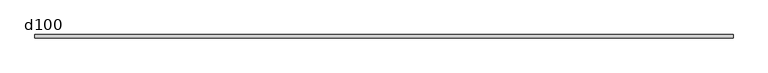
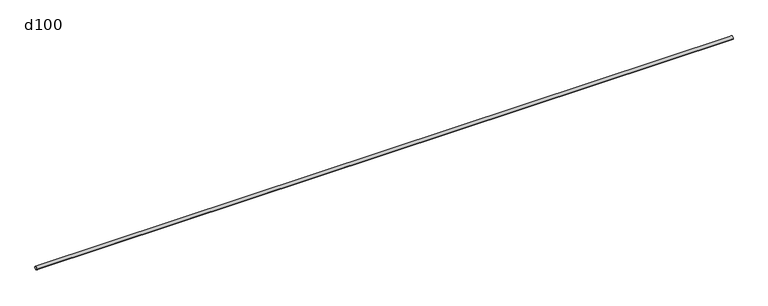
"""IFC4 building model written with IfcOpenShell, lengths in millimetres: beam geometry, d100."""

from ifc_helpers import new_model, si_unit, point, frame, origin, origin_2d, place, context, project, spatial, circle_curve, trimmed, segment, composite_curve, outline, extrude, source, transform, mapped, element, save


def d100_47b82008(model_context):
    return source(origin(), model_context, "Body", "SweptSolid", [
        extrude(outline(composite_curve([segment(trimmed(circle_curve(origin_2d(), 50.0), [point((-50.0, 0.0))], [point((50.0, 0.0))], False, "CARTESIAN"), True, "CONTINUOUS"), segment(trimmed(circle_curve(origin_2d(), 50.0), [point((50.0, 0.0))], [point((-50.0, 0.0))], False, "CARTESIAN"), True, "CONTINUOUS")], self_intersect=False)), frame((-10143.2089937, 0.0, 0.0), z_axis=(1.0, 0.0, 0.0), x_axis=(0.0, 1.0, 0.0)), (0.0, 0.0, 1.0), 20286.4179874),
    ])


if __name__ == "__main__":
    model = new_model("IFC4")
    model_context = context("Model", 3, world=origin())
    ifc_project = project(units=[si_unit("LENGTHUNIT", "METRE", prefix="MILLI")], contexts=[model_context])
    site = spatial("IfcSite", under=ifc_project)
    building = spatial("IfcBuilding", under=site)
    placement = place(None, origin())
    d100_shape = d100_47b82008(model_context)
    element("IfcBeam", 1, ObjectType="d100", at=placement, inside=building, context=model_context, shape_type="MappedRepresentation", body=[
        mapped(d100_shape, transform((0.0, 0.0, 0.0), x_axis=(1.0, 0.0, 0.0), y_axis=(0.0, 1.0, 0.0), z_axis=(0.0, 0.0, 1.0))),
    ])
    save(model, "model.ifc")
